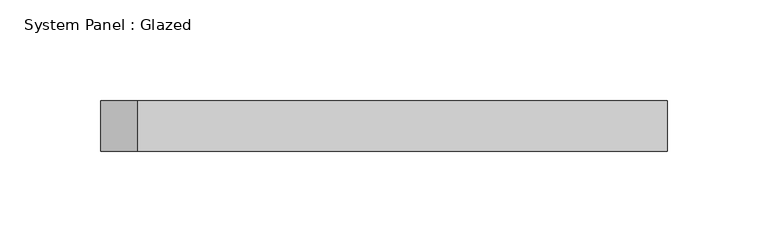
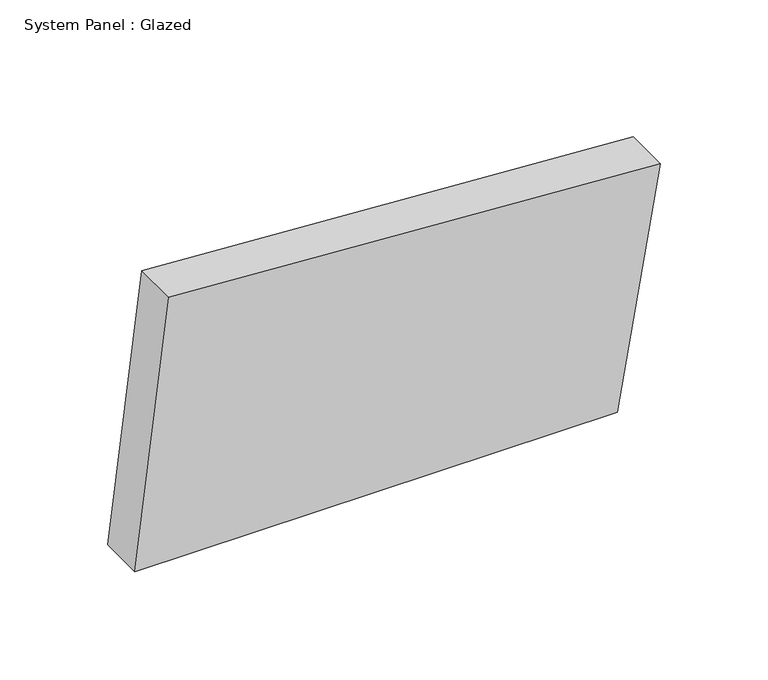
"""IFC4 building model written with IfcOpenShell, lengths in millimetres: plate geometry, System Panel : Glazed."""

import ifcopenshell
import ifcopenshell.guid

model = None  # the IFC model being written
_history = None  # IfcOwnerHistory: only IFC2X3 demands one
_inside = {}  # id of a spatial element -> (the spatial element, [elements in it])
_under = {}  # id of a project, library or spatial element -> (it, [spatial elements below it])
_declared = {}  # id of a project -> (the project, [libraries it declares])
_typed = {}  # id of a type object -> (the type object, [elements of that type])
_made_of = {}  # id of a material, layer set ... -> (it, [elements and type objects made of it])


def new_model(schema):
    """Start an empty IFC model of exactly this schema.

    Asked for "IFC4X3", IfcOpenShell would pick the latest addendum, in which some entities
    have other attributes; the version numbers below select the first issue.
    IFC2X3 requires an IfcOwnerHistory on every rooted entity: one is made here for all.
    """
    global model, _history
    if schema == "IFC4X3":
        model = ifcopenshell.file(schema_version=(4, 3, 0, 0))
    else:
        model = ifcopenshell.file(schema=schema)
    _inside.clear()
    _under.clear()
    _declared.clear()
    _typed.clear()
    _made_of.clear()
    _history = None
    if model.schema == "IFC2X3":
        org = make("IfcOrganization", Name="unknown")
        user = make(
            "IfcPersonAndOrganization",
            ThePerson=make("IfcPerson", FamilyName="unknown"),
            TheOrganization=org,
        )
        app = make(
            "IfcApplication",
            ApplicationDeveloper=org,
            Version="unknown",
            ApplicationFullName="unknown",
            ApplicationIdentifier="unknown",
        )
        _history = make(
            "IfcOwnerHistory",
            OwningUser=user,
            OwningApplication=app,
            ChangeAction="ADDED",
            CreationDate=0,
        )
    return model


def make(cls, **values):
    """One entity of the class cls with the attributes given. An attribute that is None is left unset."""
    return model.create_entity(
        cls, **{name: value for name, value in values.items() if value is not None}
    )


def rooted(cls, **values):
    """An entity with a GlobalId (a new one), such as an element, a storey or a relation."""
    return make(cls, GlobalId=ifcopenshell.guid.new(), OwnerHistory=_history, **values)


def si_unit(unit_type, name, prefix=None):
    """IfcSIUnit, for example si_unit("LENGTHUNIT", "METRE", prefix="MILLI")."""
    return make("IfcSIUnit", UnitType=unit_type, Prefix=prefix, Name=name)


def assignment(units):
    """IfcUnitAssignment: the units of a project."""
    return None if units is None else make("IfcUnitAssignment", Units=units)


def point(xyz):
    """IfcCartesianPoint."""
    return None if xyz is None else make("IfcCartesianPoint", Coordinates=xyz)


def direction(xyz):
    """IfcDirection."""
    return None if xyz is None else make("IfcDirection", DirectionRatios=xyz)


def frame(location, z_axis=None, x_axis=None):
    """IfcAxis2Placement3D, a coordinate frame: its origin and axes. An axis left out is left unset."""
    return make(
        "IfcAxis2Placement3D",
        Location=point(location),
        Axis=direction(z_axis),
        RefDirection=direction(x_axis),
    )


def origin():
    """The frame at (0, 0, 0) with its axes left unset."""
    return frame((0.0, 0.0, 0.0))


def place(relative_to, where):
    """IfcLocalPlacement: puts the frame where relative to a parent placement (None: the world)."""
    return make(
        "IfcLocalPlacement", PlacementRelTo=relative_to, RelativePlacement=where
    )


def context(
    kind, dimensions, precision=None, world=None, true_north=None, identifier=None
):
    """IfcGeometricRepresentationContext, for example the 3D "Model" context."""
    return make(
        "IfcGeometricRepresentationContext",
        ContextIdentifier=identifier,
        ContextType=kind,
        CoordinateSpaceDimension=dimensions,
        Precision=precision,
        WorldCoordinateSystem=world,
        TrueNorth=true_north,
    )


def project(units=None, contexts=None):
    """IfcProject with its units and contexts."""
    return rooted(
        "IfcProject",
        Name="project",
        RepresentationContexts=contexts,
        UnitsInContext=assignment(units),
    )


def spatial(cls, under=None, at=None, **own):
    """A site, building, storey or space (cls), placed at a placement, below another one or the project."""
    s = rooted(cls, ObjectPlacement=at, **own)
    if under is not None:
        _under.setdefault(under.id(), (under, []))[1].append(s)
    return s


def polyline(points):
    """IfcPolyline through the points."""
    return make("IfcPolyline", Points=[point(p) for p in points])


def outline(outer, holes=None, kind="AREA"):
    """IfcArbitraryClosedProfileDef: a profile drawn as a closed curve; with holes, ...WithVoids."""
    if holes is None:
        return make("IfcArbitraryClosedProfileDef", ProfileType=kind, OuterCurve=outer)
    return make(
        "IfcArbitraryProfileDefWithVoids",
        ProfileType=kind,
        OuterCurve=outer,
        InnerCurves=holes,
    )


def extrude(swept, where, along, depth):
    """IfcExtrudedAreaSolid: the profile swept, set in the frame where, extruded along a direction by depth."""
    return make(
        "IfcExtrudedAreaSolid",
        SweptArea=swept,
        Position=where,
        ExtrudedDirection=direction(along),
        Depth=depth,
    )


def shape(context_of_items, identifier, shape_type, items):
    """IfcShapeRepresentation: the items that make up one representation, for example the "Body"."""
    return make(
        "IfcShapeRepresentation",
        ContextOfItems=context_of_items,
        RepresentationIdentifier=identifier,
        RepresentationType=shape_type,
        Items=items,
    )


def source(mapping_origin, context_of_items, identifier, shape_type, items):
    """IfcRepresentationMap: a shape defined once, which mapped items show again and again."""
    return make(
        "IfcRepresentationMap",
        MappingOrigin=mapping_origin,
        MappedRepresentation=shape(context_of_items, identifier, shape_type, items),
    )


def transform(
    local_origin,
    x_axis=None,
    y_axis=None,
    z_axis=None,
    scale=None,
    scale2=None,
    scale3=None,
    uniform=True,
):
    """IfcCartesianTransformationOperator3D, or its non-uniform kind. x_axis, y_axis, z_axis: its Axis1, 2, 3."""
    if uniform:
        return make(
            "IfcCartesianTransformationOperator3D",
            Axis1=direction(x_axis),
            Axis2=direction(y_axis),
            LocalOrigin=point(local_origin),
            Scale=scale,
            Axis3=direction(z_axis),
        )
    return make(
        "IfcCartesianTransformationOperator3DnonUniform",
        Axis1=direction(x_axis),
        Axis2=direction(y_axis),
        LocalOrigin=point(local_origin),
        Scale=scale,
        Axis3=direction(z_axis),
        Scale2=scale2,
        Scale3=scale3,
    )


def mapped(mapping_source, mapping_target):
    """IfcMappedItem: shows the shape of a source again, moved by a transform."""
    return make(
        "IfcMappedItem", MappingSource=mapping_source, MappingTarget=mapping_target
    )


def made_of(thing, what):
    """Note that an element or type object is made of a material, layer set ...; save() writes the relation."""
    if what is not None:
        _made_of.setdefault(what.id(), (what, []))[1].append(thing)
    return thing


def element(
    cls,
    number,
    at=None,
    inside=None,
    cuts=None,
    type_object=None,
    material=None,
    context=None,
    identifier="Body",
    shape_type=None,
    held_by="IfcProductDefinitionShape",
    body=None,
    shapes=None,
    **own,
):
    """One element of the class cls, such as IfcWall. Its Tag is "e" and its number.

    at: its placement. inside: the storey or other place that contains it. cuts: it is an
    opening in that element (IfcRelVoidsElement). A single representation is given by context,
    identifier, shape_type and body (its items); several are given by shapes. held_by: the class
    of the entity that holds the representations. save() writes the other relations.
    """
    e = rooted(cls, Tag="e%d" % number, ObjectPlacement=at, **own)
    if body is not None:
        shapes = [shape(context, identifier, shape_type, body)]
    if shapes is not None:
        e.Representation = make(held_by, Representations=shapes)
    if inside is not None:
        _inside.setdefault(inside.id(), (inside, []))[1].append(e)
    if cuts is not None:
        rooted(
            "IfcRelVoidsElement", RelatingBuildingElement=cuts, RelatedOpeningElement=e
        )
    if type_object is not None:
        _typed.setdefault(type_object.id(), (type_object, []))[1].append(e)
    return made_of(e, material)


def aggregate(whole, parts):
    """IfcRelAggregates: a whole, such as a stair, and the parts it consists of."""
    return rooted("IfcRelAggregates", RelatingObject=whole, RelatedObjects=parts)


def save(model, path):
    """Write the relations noted so far, then the file.

    IfcRelAggregates (storeys below a building ...), IfcRelContainedInSpatialStructure (elements
    in a storey), IfcRelDefinesByType, IfcRelAssociatesMaterial and IfcRelDeclares: one each for
    every whole, place, type object, material and project.
    """
    for whole, parts in _under.values():
        aggregate(whole, parts)
    for where, things in _inside.values():
        rooted(
            "IfcRelContainedInSpatialStructure",
            RelatedElements=things,
            RelatingStructure=where,
        )
    for kind, things in _typed.values():
        rooted("IfcRelDefinesByType", RelatedObjects=things, RelatingType=kind)
    for what, things in _made_of.values():
        rooted("IfcRelAssociatesMaterial", RelatedObjects=things, RelatingMaterial=what)
    for by, libraries in _declared.values():
        rooted("IfcRelDeclares", RelatingContext=by, RelatedDefinitions=libraries)
    model.write(path)


def system_panel_glazed_b87d3c3a(model_context):
    return source(origin(), model_context, "Body", "SweptSolid", [
        extrude(outline(polyline([(0.0, -140.5556728), (0.0, 117.5293695), (132.5648208, 140.5556728), (148.8806882, -122.5107302), (0.0, -140.5556728)])), frame((0.0, -49.5, 0.0), z_axis=(0.0, 1.0, 0.0), x_axis=(0.0, 0.0, 1.0)), (0.0, 0.0, 1.0), 25.0),
    ])


if __name__ == "__main__":
    model = new_model("IFC4")
    model_context = context("Model", 3, world=origin())
    ifc_project = project(units=[si_unit("LENGTHUNIT", "METRE", prefix="MILLI")], contexts=[model_context])
    site = spatial("IfcSite", under=ifc_project)
    building = spatial("IfcBuilding", under=site)
    placement = place(None, origin())
    system_panel_glazed_shape = system_panel_glazed_b87d3c3a(model_context)
    element("IfcPlate", 1, ObjectType="System Panel : Glazed", at=placement, inside=building, context=model_context, shape_type="MappedRepresentation", body=[
        mapped(system_panel_glazed_shape, transform((0.0, 0.0, 0.0), x_axis=(1.0, 0.0, 0.0), y_axis=(0.0, 1.0, 0.0), z_axis=(0.0, 0.0, 1.0))),
    ])
    save(model, "model.ifc")
